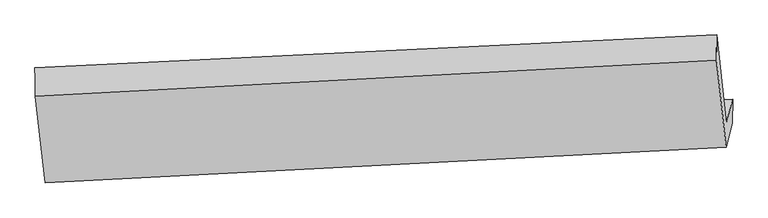
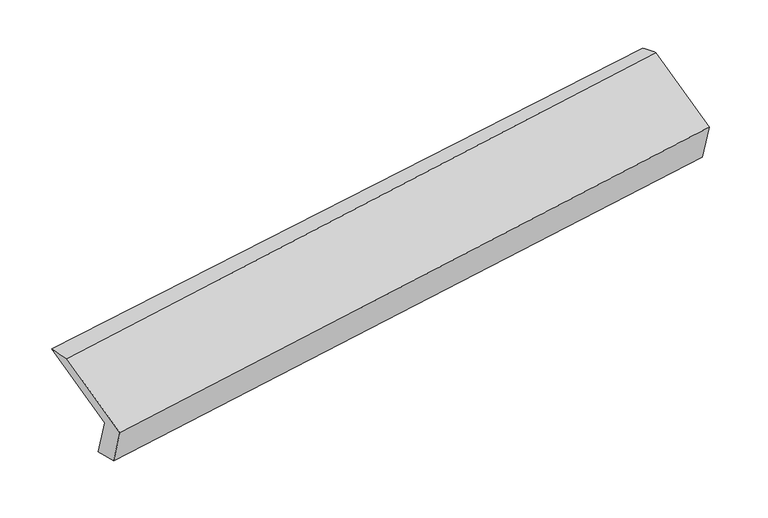
"""IFC4 building model written with IfcOpenShell, lengths in millimetres: proxy geometry."""

from ifc_helpers import new_model, si_unit, frame, origin, place, context, project, spatial, source, transform, mapped, element, save
from ifc_brep_helpers import plane_surface, spline_surface, advanced_brep


def generic_models_5c9b4ed0(model_context):
    return source(origin(), model_context, "Body", "AdvancedBrep", [
        advanced_brep(
        [(-5175.321801, -1615.7157416, 1237.0933135), (-5218.0541785, -1777.8868528, 1586.3229302), (-488.7293431, -1558.9204961, 2266.6928087), (-445.9969656, -1396.7493849, 1917.463192), (-5172.6643852, -1817.3775588, 1283.5230162), (-446.6388809, -1561.4336718, 1974.9262656), (-5214.2937368, -1975.3626416, 1623.7381722), (-490.9900932, -1729.7483268, 2337.3857813), (-5280.7557601, -1377.4032291, 1893.2790634), (-558.0703201, -1126.2269309, 2609.4338359), (-5284.5162018, -1179.9274403, 1855.8638214), (-556.1994957, -951.8909356, 2540.3222312)],
        [
            (0, 1),
            (1, 2),
            (2, 3),
            (3, 0),
            (4, 0),
            (3, 5),
            (5, 4),
            (6, 4),
            (5, 7),
            (7, 6),
            (8, 6),
            (7, 9),
            (9, 8),
            (10, 8),
            (9, 11),
            (11, 10),
            (1, 10),
            (11, 2),
        ],
        [
            plane_surface(frame((-5196.6879898, -1696.8012972, 1411.7081218), z_axis=(-0.10081292850144528, 0.9070148109694286, 0.40885313515864635), x_axis=(-0.1103025962455927, -0.4186028398900203, 0.9014460603372183))),
            spline_surface(1, 1, [[(-5172.6643852, -1817.3775588, 1283.5230162), (-446.6388809, -1561.4336718, 1974.9262656)], [(-5175.321801, -1615.7157416, 1237.0933135), (-445.9969656, -1396.7493849, 1917.463192)]], [2, 2], [2, 2], [0.0, 1.0], [0.0, 1.0]),
            plane_surface(frame((-5193.479061, -1896.3701002, 1453.6305942), z_axis=(0.1087441171343479, -0.9066182457341285, -0.4076985080799815), x_axis=(0.11030259624559258, 0.4186028398900201, -0.9014460603372184))),
            plane_surface(frame((-5247.5247485, -1676.3829353, 1758.5086178), z_axis=(-0.1143342980355822, -0.41878606756001513, 0.9008584227892468), x_axis=(0.10081292850144709, -0.9070148109694299, -0.40885313515864286))),
            spline_surface(1, 1, [[(-5284.5162018, -1179.9274403, 1855.8638214), (-556.1994957, -951.8909356, 2540.3222312)], [(-5280.7557601, -1377.4032291, 1893.2790634), (-558.0703201, -1126.2269309, 2609.4338359)]], [2, 2], [2, 2], [0.0, 1.0], [0.0, 1.0]),
            plane_surface(frame((-5251.2851902, -1478.9071465, 1721.0933758), z_axis=(0.11030259624559403, 0.41860283989002456, -0.9014460603372165), x_axis=(-0.10081292850145115, 0.9070148109694265, 0.4088531351586497))),
            plane_surface(frame((-497.7708498, -1387.4949577, 2274.3706858), z_axis=(0.9887720114912457, 0.045779854937538694, 0.1422466666514688), x_axis=(0.10081292850144709, -0.9070148109694299, -0.40885313515864286))),
            plane_surface(frame((-5224.2676773, -1623.9455773, 1579.9700528), z_axis=(-0.9887720114912453, -0.04577985493754467, -0.14224666665147093), x_axis=(0.11030259624559202, 0.41860283989002034, -0.9014460603372184))),
        ],
        [
            (0, [[1, 2, 3, 4]]),
            (1, [[5, -4, 6, 7]]),
            (2, [[8, -7, 9, 10]]),
            (3, [[11, -10, 12, 13]]),
            (4, [[14, -13, 15, 16]]),
            (5, [[17, -16, 18, -2]]),
            (6, [[-12, -9, -6, -3, -18, -15]]),
            (7, [[-1, -5, -8, -11, -14, -17]]),
        ],
    ),
    ])


if __name__ == "__main__":
    model = new_model("IFC4")
    model_context = context("Model", 3, world=origin())
    ifc_project = project(units=[si_unit("LENGTHUNIT", "METRE", prefix="MILLI")], contexts=[model_context])
    site = spatial("IfcSite", under=ifc_project)
    building = spatial("IfcBuilding", under=site)
    placement = place(None, origin())
    generic_models_shape = generic_models_5c9b4ed0(model_context)
    element("IfcBuildingElementProxy", 1, Name="Generic Models", at=placement, inside=building, context=model_context, shape_type="MappedRepresentation", body=[
        mapped(generic_models_shape, transform((0.0, 0.0, 0.0), x_axis=(1.0, 0.0, 0.0), y_axis=(0.0, 1.0, 0.0), z_axis=(0.0, 0.0, 1.0))),
    ])
    save(model, "model.ifc")
